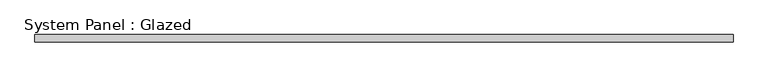
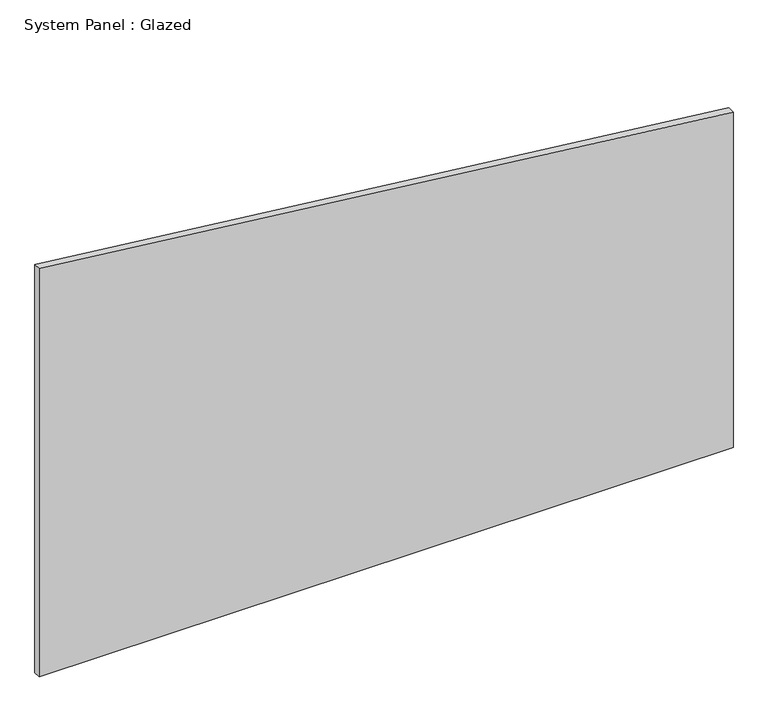
"""IFC4 building model written with IfcOpenShell, lengths in millimetres: plate geometry, System Panel : Glazed."""

from ifc_helpers import new_model, si_unit, frame, origin, place, context, project, spatial, polyline, outline, extrude, source, transform, mapped, element, save


def system_panel_glazed_66ba5bf7(model_context):
    return source(origin(), model_context, "Body", "SweptSolid", [
        extrude(outline(polyline([(0.0, -1171.7121958), (0.0, 1171.7121958), (1197.4206945, 1171.7121958), (1458.1478449, -1171.7121958), (0.0, -1171.7121958)])), frame((0.0, 24.5, 0.0), z_axis=(0.0, 1.0, 0.0), x_axis=(0.0, 0.0, 1.0)), (0.0, 0.0, 1.0), 25.0),
    ])


if __name__ == "__main__":
    model = new_model("IFC4")
    model_context = context("Model", 3, world=origin())
    ifc_project = project(units=[si_unit("LENGTHUNIT", "METRE", prefix="MILLI")], contexts=[model_context])
    site = spatial("IfcSite", under=ifc_project)
    building = spatial("IfcBuilding", under=site)
    placement = place(None, origin())
    system_panel_glazed_shape = system_panel_glazed_66ba5bf7(model_context)
    element("IfcPlate", 1, ObjectType="System Panel : Glazed", at=placement, inside=building, context=model_context, shape_type="MappedRepresentation", body=[
        mapped(system_panel_glazed_shape, transform((0.0, 0.0, 0.0), x_axis=(1.0, 0.0, 0.0), y_axis=(0.0, 1.0, 0.0), z_axis=(0.0, 0.0, 1.0))),
    ])
    save(model, "model.ifc")
